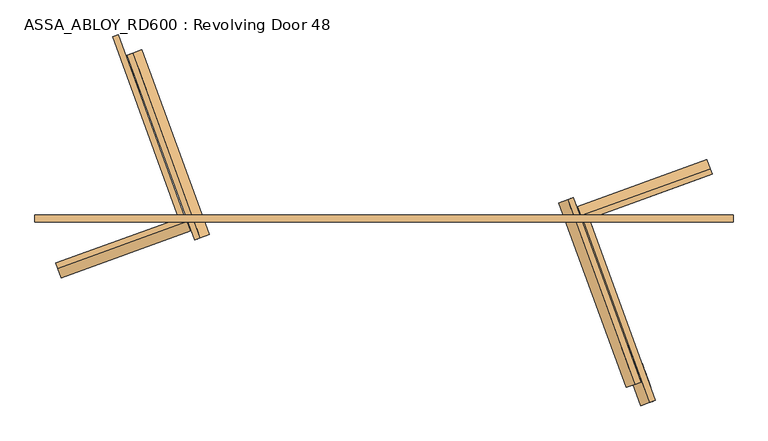
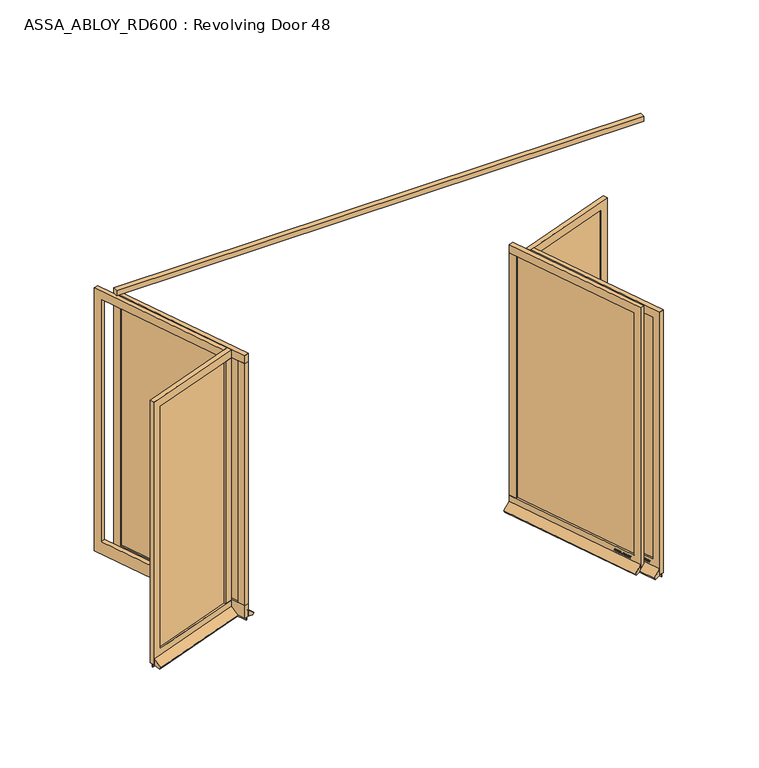
"""IFC4 building model written with IfcOpenShell, lengths in millimetres: door geometry, ASSA_ABLOY_RD600 : Revolving Door 48."""

from ifc_helpers import new_model, si_unit, frame, origin, place, context, project, spatial, polyline, outline, extrude, source, transform, mapped, element, save


def assa_abloy_rd600_revolving_door_48_a75d8d7e(model_context):
    return source(origin(), model_context, "Body", "SweptSolid", [
        extrude(outline(polyline([(2441.0, -25.0), (-2441.0, -25.0), (-2441.0, 25.0), (2441.0, 25.0), (2441.0, -25.0)])), frame((0.0, 0.0, 3500.0), z_axis=(0.0, 0.0, 1.0), x_axis=(1.0, 0.0, 0.0)), (0.0, 0.0, 1.0), 50.0),
        extrude(outline(polyline([(0.0, 0.0), (1306.0000001, 0.0), (1306.0000001, -120.0), (-69.9999999, -120.0), (-69.9999999, 2452.0), (1306.0000001, 2452.0), (1306.0000001, 2372.0), (0.0, 2372.0), (0.0, 0.0)])), frame((1733.4073499, -1092.4905475, 148.0), z_axis=(0.9396926207858558, 0.34202014332581326, 0.0), x_axis=(-0.34202014332581326, 0.9396926207858558, 0.0)), (0.0, 0.0, 1.0), 40.0),
        extrude(outline(polyline([(1348.2581576, 82.6503375), (1310.6704527, 68.9695318), (1286.7290427, 134.7480153), (1324.3167475, 148.428821), (1348.2581576, 82.6503375)])), frame((0.0, 0.0, 148.0), z_axis=(0.0, 0.0, 1.0), x_axis=(1.0, 0.0, 0.0)), (0.0, 0.0, 1.0), 2372.0),
        extrude(outline(polyline([(1749.3821244, -1086.676205), (1326.6452273, 74.7838742), (1332.283383, 76.8359951), (1755.0202802, -1084.6240842), (1749.3821244, -1086.676205)])), frame((0.0, 0.0, 148.0), z_axis=(0.0, 0.0, 1.0), x_axis=(1.0, 0.0, 0.0)), (0.0, 0.0, 1.0), 2372.0),
        extrude(outline(polyline([(1773.3235345, -1152.4546885), (1302.7038173, 140.5623577), (1308.341973, 142.6144786), (1778.9616902, -1150.4025676), (1773.3235345, -1152.4546885)])), frame((0.0, 0.0, -1.0), z_axis=(0.0, 0.0, 1.0), x_axis=(1.0, 0.0, 0.0)), (0.0, 0.0, 1.0), 29.0),
        extrude(outline(polyline([(21.1919362, 0.0), (20.214336, -2.6529929), (14.2348715, -2.5853724), (11.2716326, -10.6269535), (15.8652682, -14.4554101), (14.8894584, -17.1035441), (-1.2354289, -3.3526834), (0.0, 0.0), (21.1919362, 0.0)]), holes=[polyline([(11.7626281, -2.5849674), (1.6611384, -2.5160753), (9.3848751, -9.0376682), (11.7626281, -2.5849674)])]), frame((1756.8929342, -1040.0644841, 122.8848654), z_axis=(0.9396926207858602, 0.34202014332580105, 0.0), x_axis=(-0.11825756092416981, 0.3249099783187935, -0.9383222555567716)), (0.0, 0.0, 1.0), 2.0),
        extrude(outline(polyline([(3.5121291, 0.0), (5.4926863, -1.2764388), (6.787432, -3.3659463), (7.2092232, -6.1919012), (6.5093631, -9.6341389), (4.8247981, -13.2083906), (2.5145629, -16.157079), (-0.6567352, -15.0446471), (2.4447822, -12.1320668), (4.3562345, -8.7636201), (4.8029446, -4.7524081), (2.9863484, -2.6252693), (0.9295188, -2.6144293), (-0.6628891, -4.2207409), (-1.8238571, -6.2006452), (-3.0893834, -8.4786223), (-6.2388815, -11.6844271), (-9.9996043, -11.7673438), (-13.1300796, -8.3561655), (-12.7977466, -2.5981571), (-11.0920113, 1.0208017), (-9.0699595, 3.711135), (-6.0403681, 2.6484111), (-8.71119, 0.0484616), (-10.6514742, -3.4882218), (-11.0208469, -7.16163), (-9.3614355, -9.1814982), (-7.3063201, -9.1972245), (-5.5118808, -7.3434952), (-4.250422, -5.1162245), (-2.8187321, -2.6852579), (0.0, 0.0), (3.5121291, 0.0)])), frame((1748.7768678, -1017.765775, 111.999973), z_axis=(0.9396926207858602, 0.34202014332580105, 0.0), x_axis=(-0.11321109633798945, 0.31104493082019163, -0.9436282629706535)), (0.0, 0.0, 1.0), 2.0),
        extrude(outline(polyline([(3.5121291, 0.0), (5.4926863, -1.2764388), (6.787432, -3.3659464), (7.2092232, -6.1919012), (6.5093631, -9.6341389), (4.824798, -13.2083907), (2.5145628, -16.1570791), (-0.6567353, -15.0446472), (2.4447822, -12.1320668), (4.3562345, -8.7636201), (4.8029446, -4.7524081), (2.9863484, -2.6252693), (0.9295188, -2.6144294), (-0.6628891, -4.2207409), (-1.8238571, -6.2006453), (-3.0893834, -8.4786224), (-6.2388815, -11.6844271), (-9.9996044, -11.7673439), (-13.1300797, -8.3561656), (-12.7977466, -2.5981572), (-11.0920114, 1.0208016), (-9.0699596, 3.7111349), (-6.0403681, 2.648411), (-8.71119, 0.0484616), (-10.6514742, -3.4882218), (-11.0208469, -7.16163), (-9.3614355, -9.1814982), (-7.3063201, -9.1972245), (-5.5118808, -7.3434953), (-4.250422, -5.1162245), (-2.8187321, -2.6852579), (0.0, 0.0), (3.5121291, 0.0)])), frame((1742.3158945, -1000.0143967, 111.999973), z_axis=(0.9396926207858602, 0.34202014332580105, 0.0), x_axis=(-0.11321109633798945, 0.31104493082019163, -0.9436282629706535)), (0.0, 0.0, 1.0), 2.0),
        extrude(outline(polyline([(21.1919362, 0.0), (20.214336, -2.6529929), (14.2348715, -2.5853723), (11.2716326, -10.6269535), (15.8652682, -14.4554101), (14.8894584, -17.1035442), (-1.2354289, -3.3526834), (0.0, 0.0), (21.1919362, 0.0)]), holes=[polyline([(11.7626281, -2.5849675), (1.6611384, -2.5160753), (9.3848751, -9.0376682), (11.7626281, -2.5849675)])]), frame((1737.5100143, -986.8103493, 122.8848654), z_axis=(0.9396926207858602, 0.34202014332580105, 0.0), x_axis=(-0.11825756092416981, 0.3249099783187935, -0.9383222555567716)), (0.0, 0.0, 1.0), 2.0),
        extrude(outline(polyline([(21.1919362, 1e-07), (20.214336, -2.6529929), (14.2348715, -2.5853724), (11.2716326, -10.6269535), (15.8652682, -14.4554102), (14.8894584, -17.1035441), (-1.2354289, -3.3526834), (0.0, 0.0), (21.1919362, 1e-07)]), holes=[polyline([(11.7626281, -2.5849674), (1.6611384, -2.5160753), (9.3848751, -9.0376682), (11.7626281, -2.5849674)])]), frame((1727.7618791, -960.0275681, 122.8848654), z_axis=(0.9396926207858602, 0.34202014332580105, 0.0), x_axis=(-0.11825756092416981, 0.3249099783187935, -0.9383222555567716)), (0.0, 0.0, 1.0), 2.0),
        extrude(outline(polyline([(3.6247797, 0.0), (5.9232413, -1.3859292), (7.2049821, -3.4426962), (7.5842828, -6.2202287), (6.8194358, -9.6251298), (4.5055294, -16.4081518), (-14.3144162, -9.9880647), (-12.3716711, -4.2930708), (-11.1479956, -1.1951534), (-9.8352433, 0.5920774), (-7.9241126, 1.6554025), (-5.7320771, 1.441087), (-3.7068838, -0.0321766), (-2.8147562, -2.4211002), (0.0, 0.0), (3.6247797, 0.0)]), holes=[polyline([(-5.2214252, -2.9241786), (-9.3653605, -2.9303687), (-10.1960736, -5.1008933), (-11.2627443, -8.2277488), (-5.9304264, -10.0467735), (-4.7734732, -6.6552624), (-5.2214252, -2.9241786)]), polyline([(2.8765907, -2.5461079), (0.9746905, -2.291247), (-0.5832315, -3.1932876), (-1.5099769, -4.5787396), (-2.347091, -6.7279308), (-3.734766, -10.7957836), (3.1658807, -13.1498156), (4.3362091, -9.7190964), (5.1175974, -6.8751817), (5.1102534, -4.8838351), (4.3679308, -3.4351117), (2.8765907, -2.5461079)])]), frame((1719.4217686, -937.1133027, 112.561824), z_axis=(0.9396926207858604, 0.3420201433258011, 0.0), x_axis=(-0.11042564634822187, 0.30339196987028844, -0.9464457138403678)), (0.0, 0.0, 1.0), 2.0),
        extrude(outline(polyline([(2.319901, 0.0), (2.319901, -12.5937482), (-17.5649644, -12.5937482), (-17.5649644, -9.9424328), (0.0, -9.9424328), (0.0, 0.0), (2.319901, 0.0)])), frame((1713.4673299, -920.7536169, 105.319901), z_axis=(0.9396926207858602, 0.34202014332580105, 0.0), x_axis=(0.0, 0.0, -1.0)), (0.0, 0.0, 1.0), 2.0),
        extrude(outline(polyline([(3.4755123, 0.0), (6.8343334, -1.6217536), (9.841779, -4.8358203), (11.7934802, -8.7947163), (12.1283676, -12.475947), (10.9175762, -15.7640054), (8.2007386, -18.4707048), (4.7147757, -20.0502835), (1.2097864, -20.048671), (-2.1257686, -18.4422905), (-5.1361656, -15.2239687), (-7.0812776, -11.3109182), (-7.4345587, -7.5668217), (-6.1998493, -4.2905332), (-3.5095377, -1.5864764), (0.0, 0.0), (3.4755123, 0.0)]), holes=[polyline([(7.6631689, -6.3468237), (2.8864763, -2.494471), (-2.1788995, -3.4868579), (-4.8960978, -7.8921765), (-2.9575554, -13.7129652), (1.8513938, -17.5618518), (6.8871209, -16.5585187), (9.5892894, -12.1951337), (7.6631689, -6.3468237)])]), frame((1708.489653, -907.0775619, 122.5197917), z_axis=(0.9396926207858602, 0.34202014332580105, 0.0), x_axis=(-0.2810410816456148, 0.7721540257600913, -0.569907072188043)), (0.0, 0.0, 1.0), 2.0),
        extrude(outline(polyline([(3.1691505, 0.0), (-4.1219669, -11.1645234), (-4.1219669, -19.8848654), (-6.7732823, -19.8848654), (-6.7732823, -11.4441543), (-14.0643996, 0.0), (-10.9211409, 0.0), (-5.4320895, -8.8964059), (0.0, 0.0), (3.1691505, 0.0)])), frame((1701.2892454, -887.2946046, 122.8848654), z_axis=(0.9396926207858602, 0.34202014332580105, 0.0), x_axis=(-0.34202014332580105, 0.9396926207858602, 0.0)), (0.0, 0.0, 1.0), 2.0),
        extrude(outline(polyline([(-21.1919362, 1e-07), (0.0, 0.0), (1.2354289, -3.3526833), (-14.8894584, -17.1035441), (-15.8652682, -14.4554101), (-11.2716326, -10.6269535), (-14.2348715, -2.5853723), (-20.214336, -2.6529929), (-21.1919362, 1e-07)]), holes=[polyline([(-11.7626281, -2.5849674), (-9.3848751, -9.0376681), (-1.6611384, -2.5160752), (-11.7626281, -2.5849674)])]), frame((1664.6931086, -909.54733, 122.8848654), z_axis=(0.939692620785858, 0.3420201433258071, 0.0), x_axis=(-0.11825756092417189, 0.3249099783187927, 0.9383222555567716)), (0.0, 0.0, 1.0), 2.0),
        extrude(outline(polyline([(-3.5121291, 0.0), (0.0, 0.0), (2.8187321, -2.6852579), (4.250422, -5.1162245), (5.5118808, -7.3434953), (7.3063201, -9.1972246), (9.3614355, -9.1814983), (11.0208469, -7.1616301), (10.6514742, -3.4882218), (8.71119, 0.0484616), (6.0403681, 2.648411), (9.0699596, 3.7111349), (11.0920114, 1.0208016), (12.7977466, -2.5981572), (13.1300797, -8.3561656), (9.9996044, -11.7673439), (6.2388816, -11.6844272), (3.0893834, -8.4786224), (1.8238571, -6.2006453), (0.6628891, -4.2207409), (-0.9295188, -2.6144294), (-2.9863484, -2.6252693), (-4.8029446, -4.7524082), (-4.3562345, -8.76362), (-2.4447822, -12.1320669), (0.6567353, -15.0446472), (-2.5145629, -16.1570791), (-4.824798, -13.2083906), (-6.5093631, -9.6341389), (-7.2092232, -6.1919012), (-6.787432, -3.3659464), (-5.4926863, -1.2764387), (-3.5121291, 0.0)])), frame((1672.809175, -931.8460392, 111.999973), z_axis=(0.939692620785858, 0.3420201433258071, 0.0), x_axis=(-0.11321109633799145, 0.31104493082019086, 0.9436282629706535)), (0.0, 0.0, 1.0), 2.0),
        extrude(outline(polyline([(-3.5121291, 0.0), (0.0, 0.0), (2.8187321, -2.6852579), (4.250422, -5.1162245), (5.5118808, -7.3434952), (7.3063201, -9.1972245), (9.3614355, -9.1814982), (11.0208469, -7.16163), (10.6514742, -3.4882218), (8.71119, 0.0484616), (6.0403681, 2.6484111), (9.0699595, 3.711135), (11.0920113, 1.0208017), (12.7977466, -2.5981571), (13.1300796, -8.3561655), (9.9996043, -11.7673438), (6.2388815, -11.6844271), (3.0893834, -8.4786223), (1.8238571, -6.2006452), (0.6628891, -4.2207408), (-0.9295188, -2.6144293), (-2.9863484, -2.6252693), (-4.8029446, -4.7524081), (-4.3562345, -8.76362), (-2.4447823, -12.1320668), (0.6567352, -15.0446471), (-2.5145629, -16.157079), (-4.8247981, -13.2083905), (-6.5093631, -9.6341389), (-7.2092232, -6.1919012), (-6.787432, -3.3659463), (-5.4926863, -1.2764387), (-3.5121291, 0.0)])), frame((1679.2701483, -949.5974174, 111.999973), z_axis=(0.939692620785858, 0.3420201433258071, 0.0), x_axis=(-0.11321109633799145, 0.31104493082019086, 0.9436282629706535)), (0.0, 0.0, 1.0), 2.0),
        extrude(outline(polyline([(-21.1919362, 1e-07), (0.0, 0.0), (1.2354289, -3.3526834), (-14.8894584, -17.1035441), (-15.8652682, -14.4554101), (-11.2716326, -10.6269535), (-14.2348715, -2.5853723), (-20.214336, -2.6529929), (-21.1919362, 1e-07)]), holes=[polyline([(-11.7626281, -2.5849674), (-9.3848751, -9.0376682), (-1.6611384, -2.5160752), (-11.7626281, -2.5849674)])]), frame((1684.0760285, -962.8014648, 122.8848654), z_axis=(0.939692620785858, 0.3420201433258071, 0.0), x_axis=(-0.11825756092417189, 0.3249099783187927, 0.9383222555567716)), (0.0, 0.0, 1.0), 2.0),
        extrude(outline(polyline([(-21.1919362, 0.0), (0.0, 0.0), (1.2354289, -3.3526834), (-14.8894584, -17.1035442), (-15.8652681, -14.4554102), (-11.2716326, -10.6269536), (-14.2348715, -2.5853724), (-20.2143359, -2.652993), (-21.1919362, 0.0)]), holes=[polyline([(-11.7626281, -2.5849675), (-9.3848751, -9.0376682), (-1.6611384, -2.5160752), (-11.7626281, -2.5849675)])]), frame((1693.8241637, -989.5842461, 122.8848654), z_axis=(0.939692620785858, 0.3420201433258071, 0.0), x_axis=(-0.11825756092417189, 0.3249099783187927, 0.9383222555567716)), (0.0, 0.0, 1.0), 2.0),
        extrude(outline(polyline([(-3.6247797, -1e-07), (0.0, 0.0), (2.8147562, -2.4211003), (3.7068839, -0.0321767), (5.7320772, 1.4410869), (7.9241126, 1.6554024), (9.8352433, 0.5920774), (11.1479956, -1.1951535), (12.3716711, -4.2930708), (14.3144162, -9.9880648), (-4.5055294, -16.4081519), (-6.8194358, -9.6251298), (-7.5842828, -6.2202288), (-7.204982, -3.4426963), (-5.9232413, -1.3859292), (-3.6247797, -1e-07)]), holes=[polyline([(5.2214253, -2.9241787), (4.7734732, -6.6552625), (5.9304264, -10.0467736), (11.2627444, -8.2277489), (10.1960736, -5.1008933), (9.3653605, -2.9303688), (5.2214253, -2.9241787)]), polyline([(-2.8765906, -2.5461079), (-4.3679308, -3.4351117), (-5.1102534, -4.8838351), (-5.1175974, -6.8751818), (-4.3362091, -9.7190964), (-3.1658807, -13.1498157), (3.7347661, -10.7957838), (2.347091, -6.7279308), (1.5099769, -4.5787397), (0.5832316, -3.1932877), (-0.9746905, -2.2912471), (-2.8765906, -2.5461079)])]), frame((1702.1642743, -1012.4985115, 112.561824), z_axis=(0.939692620785858, 0.34202014332580716, 0.0), x_axis=(-0.11042564634822383, 0.3033919698702877, 0.9464457138403678)), (0.0, 0.0, 1.0), 2.0),
        extrude(outline(polyline([(-2.319901, 0.0), (0.0, 0.0), (0.0, -9.9424326), (17.5649644, -9.9424326), (17.5649644, -12.593748), (-2.319901, -12.593748), (-2.319901, 0.0)])), frame((1708.1187129, -1028.8581972, 105.319901), z_axis=(0.939692620785858, 0.3420201433258071, 0.0), x_axis=(0.0, 0.0, 1.0)), (0.0, 0.0, 1.0), 2.0),
        extrude(outline(polyline([(-3.4755123, 0.0), (0.0, 0.0), (3.5095376, -1.5864763), (6.1998493, -4.2905332), (7.4345588, -7.5668217), (7.0812776, -11.3109182), (5.1361655, -15.2239686), (2.1257686, -18.4422905), (-1.2097864, -20.048671), (-4.7147758, -20.0502835), (-8.2007387, -18.4707048), (-10.9175762, -15.7640054), (-12.1283676, -12.475947), (-11.7934802, -8.7947164), (-9.8417791, -4.8358203), (-6.8343334, -1.6217536), (-3.4755123, 0.0)]), holes=[polyline([(-7.663169, -6.3468237), (-9.5892894, -12.1951337), (-6.8871209, -16.5585186), (-1.8513939, -17.5618518), (2.9575554, -13.7129653), (4.8960977, -7.8921765), (2.1788995, -3.4868579), (-2.8864763, -2.494471), (-7.663169, -6.3468237)])]), frame((1713.0963899, -1042.5342522, 122.5197917), z_axis=(0.939692620785858, 0.3420201433258071, 0.0), x_axis=(-0.28104108164561903, 0.7721540257600874, 0.5699070721880464)), (0.0, 0.0, 1.0), 2.0),
        extrude(outline(polyline([(-3.1691504, 0.0), (0.0, 0.0), (5.4320896, -8.8964059), (10.921141, 0.0), (14.0643997, 0.0), (6.7732823, -11.4441543), (6.7732823, -19.8848654), (4.1219669, -19.8848654), (4.1219669, -11.1645234), (-3.1691504, 0.0)])), frame((1720.2967975, -1062.3172096, 122.8848654), z_axis=(0.939692620785858, 0.3420201433258071, 0.0), x_axis=(-0.3420201433258071, 0.939692620785858, 0.0)), (0.0, 0.0, 1.0), 2.0),
        extrude(outline(polyline([(16.3017206, 0.0), (20.0, 0.0), (20.0, 58.7981528), (88.5222617, 2.8076911), (78.5957563, -16.6009104), (16.3017206, 0.0)])), frame((1776.1426123, -1151.4286281, 28.0), z_axis=(-0.34202014332581326, 0.9396926207858558, 0.0), x_axis=(-0.9396926207858558, -0.34202014332581326, 0.0)), (0.0, 0.0, 1.0), 1376.0),
        extrude(outline(polyline([(1306.0000001, 0.0), (1306.0000001, -120.0), (0.0, -120.0), (0.0, -2492.0), (1306.0000001, -2492.0), (1306.0000001, -2572.0), (-69.9999999, -2572.0), (-69.9999999, 0.0), (1306.0000001, 0.0)])), frame((-1770.9950547, 1078.8097418, 28.0), z_axis=(0.939692620786613, 0.3420201433237329, 0.0), x_axis=(0.3420201433237329, -0.939692620786613, 0.0)), (0.0, 0.0, 1.0), 40.0),
        extrude(outline(polyline([(-1348.2581576, -82.6503375), (-1310.6704527, -68.9695318), (-1286.7290427, -134.7480153), (-1324.3167475, -148.428821), (-1348.2581576, -82.6503375)])), frame((0.0, 0.0, 148.0), z_axis=(0.0, 0.0, 1.0), x_axis=(1.0, 0.0, 0.0)), (0.0, 0.0, 1.0), 2372.0),
        extrude(outline(polyline([(-1749.3821244, 1086.676205), (-1326.6452273, -74.7838742), (-1332.283383, -76.8359951), (-1755.0202802, 1084.6240842), (-1749.3821244, 1086.676205)])), frame((0.0, 0.0, 148.0), z_axis=(0.0, 0.0, 1.0), x_axis=(1.0, 0.0, 0.0)), (0.0, 0.0, 1.0), 2372.0),
        extrude(outline(polyline([(-1773.3235345, 1152.4546885), (-1302.7038173, -140.5623577), (-1308.341973, -142.6144786), (-1778.9616902, 1150.4025676), (-1773.3235345, 1152.4546885)])), frame((0.0, 0.0, -1.0), z_axis=(0.0, 0.0, 1.0), x_axis=(1.0, 0.0, 0.0)), (0.0, 0.0, 1.0), 29.0),
        extrude(outline(polyline([(-21.1919362, 0.0), (0.0, 0.0), (1.2354289, -3.3526834), (-14.8894584, -17.1035442), (-15.8652682, -14.4554101), (-11.2716326, -10.6269535), (-14.2348715, -2.5853723), (-20.214336, -2.6529929), (-21.1919362, 0.0)]), holes=[polyline([(-11.7626281, -2.5849675), (-9.3848751, -9.0376682), (-1.6611384, -2.5160752), (-11.7626281, -2.5849675)])]), frame((-1758.7723195, 1039.3804438, 122.8848654), z_axis=(0.9396926207866175, 0.34202014332372066, 0.0), x_axis=(-0.11825756092345048, 0.3249099783190553, 0.9383222555567716)), (0.0, 0.0, 1.0), 2.0),
        extrude(outline(polyline([(-3.5121291, 0.0), (0.0, 0.0), (2.8187321, -2.6852579), (4.250422, -5.1162244), (5.5118808, -7.3434952), (7.3063201, -9.1972245), (9.3614355, -9.1814982), (11.0208469, -7.16163), (10.6514742, -3.4882218), (8.71119, 0.0484616), (6.0403681, 2.6484111), (9.0699595, 3.711135), (11.0920113, 1.0208017), (12.7977466, -2.5981571), (13.1300796, -8.3561655), (9.9996043, -11.7673438), (6.2388815, -11.6844271), (3.0893834, -8.4786223), (1.8238571, -6.2006452), (0.6628891, -4.2207408), (-0.9295188, -2.6144293), (-2.9863484, -2.6252693), (-4.8029446, -4.7524081), (-4.3562345, -8.76362), (-2.4447823, -12.1320668), (0.6567352, -15.0446471), (-2.5145629, -16.157079), (-4.824798, -13.2083906), (-6.5093631, -9.6341389), (-7.2092232, -6.1919012), (-6.787432, -3.3659463), (-5.4926863, -1.2764387), (-3.5121291, 0.0)])), frame((-1750.6562531, 1017.0817347, 111.999973), z_axis=(0.9396926207866174, 0.34202014332372066, 0.0), x_axis=(-0.11321109633730082, 0.31104493082044227, 0.9436282629706535)), (0.0, 0.0, 1.0), 2.0),
        extrude(outline(polyline([(-3.5121291, 0.0), (0.0, 0.0), (2.8187321, -2.6852579), (4.250422, -5.1162244), (5.5118808, -7.3434953), (7.3063201, -9.1972246), (9.3614355, -9.1814983), (11.0208469, -7.1616301), (10.6514742, -3.4882218), (8.71119, 0.0484616), (6.0403681, 2.648411), (9.0699596, 3.7111349), (11.0920114, 1.0208016), (12.7977466, -2.5981572), (13.1300797, -8.3561656), (9.9996044, -11.7673439), (6.2388815, -11.6844271), (3.0893834, -8.4786224), (1.8238571, -6.2006453), (0.6628891, -4.2207408), (-0.9295188, -2.6144294), (-2.9863484, -2.6252693), (-4.8029446, -4.7524082), (-4.3562345, -8.76362), (-2.4447822, -12.1320669), (0.6567353, -15.0446472), (-2.5145629, -16.1570791), (-4.824798, -13.2083906), (-6.5093631, -9.6341389), (-7.2092232, -6.1919012), (-6.787432, -3.3659463), (-5.4926863, -1.2764387), (-3.5121291, 0.0)])), frame((-1744.1952798, 999.3303564, 111.999973), z_axis=(0.9396926207866174, 0.34202014332372066, 0.0), x_axis=(-0.11321109633730082, 0.31104493082044227, 0.9436282629706535)), (0.0, 0.0, 1.0), 2.0),
        extrude(outline(polyline([(-21.1919362, 0.0), (0.0, 0.0), (1.2354289, -3.3526834), (-14.8894584, -17.1035442), (-15.8652681, -14.4554103), (-11.2716326, -10.6269535), (-14.2348715, -2.5853725), (-20.2143359, -2.652993), (-21.1919362, 0.0)]), holes=[polyline([(-11.7626281, -2.5849675), (-9.3848751, -9.0376682), (-1.6611384, -2.5160753), (-11.7626281, -2.5849675)])]), frame((-1739.3893995, 986.126309, 122.8848654), z_axis=(0.9396926207866175, 0.34202014332372066, 0.0), x_axis=(-0.11825756092345048, 0.3249099783190553, 0.9383222555567716)), (0.0, 0.0, 1.0), 2.0),
        extrude(outline(polyline([(-21.1919362, 1e-07), (0.0, 0.0), (1.2354289, -3.3526834), (-14.8894584, -17.1035441), (-15.8652682, -14.4554101), (-11.2716326, -10.6269535), (-14.2348715, -2.5853723), (-20.214336, -2.6529929), (-21.1919362, 1e-07)]), holes=[polyline([(-11.7626281, -2.5849674), (-9.3848751, -9.0376682), (-1.6611384, -2.5160752), (-11.7626281, -2.5849674)])]), frame((-1729.6412644, 959.3435278, 122.8848654), z_axis=(0.9396926207866175, 0.34202014332372066, 0.0), x_axis=(-0.11825756092345048, 0.3249099783190553, 0.9383222555567716)), (0.0, 0.0, 1.0), 2.0),
        extrude(outline(polyline([(-3.6247797, -1e-07), (0.0, 0.0), (2.8147562, -2.4211002), (3.7068839, -0.0321766), (5.7320771, 1.441087), (7.9241126, 1.6554025), (9.8352433, 0.5920774), (11.1479956, -1.1951534), (12.3716711, -4.2930708), (14.3144162, -9.9880647), (-4.5055294, -16.4081518), (-6.8194358, -9.6251298), (-7.5842828, -6.2202288), (-7.204982, -3.4426963), (-5.9232413, -1.3859292), (-3.6247797, -1e-07)]), holes=[polyline([(5.2214253, -2.9241787), (4.7734732, -6.6552625), (5.9304264, -10.0467735), (11.2627443, -8.2277488), (10.1960736, -5.1008933), (9.3653605, -2.9303687), (5.2214253, -2.9241787)]), polyline([(-2.8765906, -2.5461079), (-4.3679308, -3.4351117), (-5.1102534, -4.8838351), (-5.1175974, -6.8751817), (-4.3362091, -9.7190964), (-3.1658807, -13.1498156), (3.734766, -10.7957836), (2.347091, -6.7279308), (1.5099769, -4.5787397), (0.5832315, -3.1932876), (-0.9746905, -2.291247), (-2.8765906, -2.5461079)])]), frame((-1721.3011538, 936.4292624, 112.561824), z_axis=(0.9396926207866174, 0.34202014332372066, 0.0), x_axis=(-0.11042564634755019, 0.3033919698705329, 0.9464457138403678)), (0.0, 0.0, 1.0), 2.0),
        extrude(outline(polyline([(-2.319901, 0.0), (0.0, 0.0), (0.0, -9.9424327), (17.5649644, -9.9424327), (17.5649644, -12.5937481), (-2.319901, -12.5937481), (-2.319901, 0.0)])), frame((-1715.3467152, 920.0695766, 105.319901), z_axis=(0.9396926207866174, 0.34202014332372066, 0.0), x_axis=(0.0, 0.0, 1.0)), (0.0, 0.0, 1.0), 2.0),
        extrude(outline(polyline([(-3.4755123, 0.0), (0.0, 0.0), (3.5095377, -1.5864764), (6.1998493, -4.2905332), (7.4345588, -7.5668217), (7.0812776, -11.3109182), (5.1361656, -15.2239687), (2.1257687, -18.4422906), (-1.2097864, -20.048671), (-4.7147757, -20.0502836), (-8.2007386, -18.4707048), (-10.9175762, -15.7640054), (-12.1283676, -12.475947), (-11.7934802, -8.7947164), (-9.841779, -4.8358203), (-6.8343334, -1.6217536), (-3.4755123, 0.0)]), holes=[polyline([(-7.6631689, -6.3468237), (-9.5892893, -12.1951337), (-6.8871209, -16.5585187), (-1.8513938, -17.5618518), (2.9575555, -13.7129653), (4.8960978, -7.8921765), (2.1788995, -3.4868579), (-2.8864763, -2.494471), (-7.6631689, -6.3468237)])]), frame((-1710.3690382, 906.3935216, 122.5197917), z_axis=(0.9396926207866175, 0.3420201433237207, 0.0), x_axis=(-0.28104108164390534, 0.7721540257607135, 0.569907072188043)), (0.0, 0.0, 1.0), 2.0),
        extrude(outline(polyline([(-3.1691505, 0.0), (0.0, 0.0), (5.4320896, -8.8964059), (10.921141, 0.0), (14.0643996, 0.0), (6.7732823, -11.4441543), (6.7732823, -19.8848654), (4.1219669, -19.8848654), (4.1219669, -11.1645234), (-3.1691505, 0.0)])), frame((-1703.1686306, 886.6105643, 122.8848654), z_axis=(0.9396926207866174, 0.34202014332372066, 0.0), x_axis=(-0.34202014332372066, 0.9396926207866174, 0.0)), (0.0, 0.0, 1.0), 2.0),
        extrude(outline(polyline([(21.1919362, 1e-07), (20.214336, -2.6529929), (14.2348715, -2.5853724), (11.2716326, -10.6269535), (15.8652682, -14.4554101), (14.8894584, -17.1035441), (-1.2354289, -3.3526833), (0.0, 0.0), (21.1919362, 1e-07)]), holes=[polyline([(11.7626281, -2.5849674), (1.6611384, -2.5160752), (9.3848751, -9.0376681), (11.7626281, -2.5849674)])]), frame((-1666.5724939, 908.8632897, 122.8848654), z_axis=(0.9396926207866153, 0.34202014332372677, 0.0), x_axis=(-0.11825756092345256, 0.32490997831905455, -0.9383222555567716)), (0.0, 0.0, 1.0), 2.0),
        extrude(outline(polyline([(3.5121291, -1e-07), (5.4926863, -1.2764388), (6.787432, -3.3659464), (7.2092232, -6.1919012), (6.5093631, -9.6341389), (4.824798, -13.2083907), (2.5145628, -16.1570791), (-0.6567353, -15.0446472), (2.4447822, -12.1320668), (4.3562345, -8.7636201), (4.8029446, -4.7524081), (2.9863484, -2.6252693), (0.9295188, -2.6144294), (-0.6628891, -4.2207409), (-1.8238571, -6.2006453), (-3.0893834, -8.4786224), (-6.2388815, -11.6844271), (-9.9996044, -11.7673439), (-13.1300797, -8.3561656), (-12.7977466, -2.5981572), (-11.0920114, 1.0208016), (-9.0699596, 3.7111349), (-6.0403681, 2.648411), (-8.71119, 0.0484616), (-10.6514742, -3.4882218), (-11.0208469, -7.1616301), (-9.3614355, -9.1814983), (-7.3063201, -9.1972245), (-5.5118808, -7.3434953), (-4.250422, -5.1162245), (-2.8187321, -2.6852579), (0.0, 0.0), (3.5121291, -1e-07)])), frame((-1674.6885603, 931.1619989, 111.999973), z_axis=(0.9396926207866153, 0.34202014332372677, 0.0), x_axis=(-0.11321109633730282, 0.3110449308204415, -0.9436282629706535)), (0.0, 0.0, 1.0), 2.0),
        extrude(outline(polyline([(3.5121291, 0.0), (5.4926863, -1.2764387), (6.787432, -3.3659463), (7.2092232, -6.1919011), (6.5093631, -9.6341389), (4.8247981, -13.2083906), (2.5145629, -16.157079), (-0.6567352, -15.0446471), (2.4447822, -12.1320668), (4.3562345, -8.7636201), (4.8029446, -4.7524081), (2.9863484, -2.6252692), (0.9295188, -2.6144293), (-0.6628891, -4.2207408), (-1.8238571, -6.2006452), (-3.0893834, -8.4786223), (-6.2388815, -11.6844271), (-9.9996043, -11.7673438), (-13.1300796, -8.3561655), (-12.7977466, -2.5981571), (-11.0920113, 1.0208017), (-9.0699595, 3.711135), (-6.0403681, 2.6484111), (-8.71119, 0.0484616), (-10.6514742, -3.4882217), (-11.0208469, -7.16163), (-9.3614355, -9.1814982), (-7.3063201, -9.1972245), (-5.5118808, -7.3434952), (-4.250422, -5.1162245), (-2.8187321, -2.6852579), (0.0, 0.0), (3.5121291, 0.0)])), frame((-1681.1495336, 948.9133771, 111.999973), z_axis=(0.9396926207866153, 0.34202014332372677, 0.0), x_axis=(-0.11321109633730282, 0.3110449308204415, -0.9436282629706535)), (0.0, 0.0, 1.0), 2.0),
        extrude(outline(polyline([(21.1919362, 1e-07), (20.214336, -2.6529929), (14.2348715, -2.5853724), (11.2716326, -10.6269535), (15.8652682, -14.4554101), (14.8894584, -17.1035441), (-1.2354289, -3.3526833), (0.0, 0.0), (21.1919362, 1e-07)]), holes=[polyline([(11.7626281, -2.5849674), (1.6611384, -2.5160753), (9.3848751, -9.0376681), (11.7626281, -2.5849674)])]), frame((-1685.9554138, 962.1174245, 122.8848654), z_axis=(0.9396926207866153, 0.34202014332372677, 0.0), x_axis=(-0.11825756092345256, 0.32490997831905455, -0.9383222555567716)), (0.0, 0.0, 1.0), 2.0),
        extrude(outline(polyline([(21.1919362, 0.0), (20.214336, -2.6529929), (14.2348715, -2.5853724), (11.2716326, -10.6269535), (15.8652682, -14.4554101), (14.8894584, -17.1035442), (-1.2354289, -3.3526834), (0.0, 0.0), (21.1919362, 0.0)]), holes=[polyline([(11.7626281, -2.5849675), (1.6611384, -2.5160752), (9.3848751, -9.0376682), (11.7626281, -2.5849675)])]), frame((-1695.7035489, 988.9002058, 122.8848654), z_axis=(0.9396926207866153, 0.34202014332372677, 0.0), x_axis=(-0.11825756092345256, 0.32490997831905455, -0.9383222555567716)), (0.0, 0.0, 1.0), 2.0),
        extrude(outline(polyline([(3.6247797, -1e-07), (5.9232413, -1.3859292), (7.2049821, -3.4426963), (7.5842828, -6.2202288), (6.8194358, -9.6251298), (4.5055294, -16.4081519), (-14.3144162, -9.9880648), (-12.3716711, -4.2930708), (-11.1479956, -1.1951535), (-9.8352433, 0.5920774), (-7.9241126, 1.6554024), (-5.7320771, 1.441087), (-3.7068839, -0.0321767), (-2.8147562, -2.4211002), (0.0, 0.0), (3.6247797, -1e-07)]), holes=[polyline([(-5.2214253, -2.9241787), (-9.3653605, -2.9303687), (-10.1960736, -5.1008933), (-11.2627443, -8.2277489), (-5.9304264, -10.0467736), (-4.7734732, -6.6552625), (-5.2214253, -2.9241787)]), polyline([(2.8765907, -2.5461079), (0.9746905, -2.2912471), (-0.5832316, -3.1932877), (-1.5099769, -4.5787397), (-2.347091, -6.7279308), (-3.7347661, -10.7957837), (3.1658807, -13.1498157), (4.3362091, -9.7190964), (5.1175974, -6.8751818), (5.1102534, -4.8838351), (4.3679308, -3.4351117), (2.8765907, -2.5461079)])]), frame((-1704.0436595, 1011.8144712, 112.561824), z_axis=(0.9396926207866152, 0.3420201433237267, 0.0), x_axis=(-0.11042564634755214, 0.3033919698705322, -0.9464457138403678)), (0.0, 0.0, 1.0), 2.0),
        extrude(outline(polyline([(2.319901, 0.0), (2.319901, -12.5937482), (-17.5649644, -12.5937482), (-17.5649644, -9.9424328), (0.0, -9.9424328), (0.0, 0.0), (2.319901, 0.0)])), frame((-1709.9980982, 1028.174157, 105.319901), z_axis=(0.9396926207866152, 0.3420201433237267, 0.0), x_axis=(0.0, 0.0, -1.0)), (0.0, 0.0, 1.0), 2.0),
        extrude(outline(polyline([(3.4755123, 0.0), (6.8343334, -1.6217536), (9.8417791, -4.8358203), (11.7934802, -8.7947163), (12.1283676, -12.475947), (10.9175762, -15.7640054), (8.2007387, -18.4707048), (4.7147758, -20.0502835), (1.2097864, -20.048671), (-2.1257686, -18.4422905), (-5.1361655, -15.2239686), (-7.0812776, -11.3109182), (-7.4345587, -7.5668216), (-6.1998493, -4.2905332), (-3.5095376, -1.5864763), (0.0, 0.0), (3.4755123, 0.0)]), holes=[polyline([(7.663169, -6.3468237), (2.8864763, -2.494471), (-2.1788995, -3.4868579), (-4.8960977, -7.8921765), (-2.9575554, -13.7129652), (1.8513939, -17.5618518), (6.8871209, -16.5585186), (9.5892894, -12.1951337), (7.663169, -6.3468237)])]), frame((-1714.9757751, 1041.8502119, 122.5197917), z_axis=(0.9396926207866152, 0.3420201433237267, 0.0), x_axis=(-0.2810410816439095, 0.7721540257607096, -0.5699070721880464)), (0.0, 0.0, 1.0), 2.0),
        extrude(outline(polyline([(3.1691504, 0.0), (-4.1219669, -11.1645234), (-4.1219669, -19.8848654), (-6.7732823, -19.8848654), (-6.7732823, -11.4441543), (-14.0643997, 0.0), (-10.921141, 0.0), (-5.4320896, -8.8964059), (0.0, 0.0), (3.1691504, 0.0)])), frame((-1722.1761827, 1061.6331693, 122.8848654), z_axis=(0.9396926207866152, 0.3420201433237267, 0.0), x_axis=(-0.3420201433237267, 0.9396926207866152, 0.0)), (0.0, 0.0, 1.0), 2.0),
        extrude(outline(polyline([(16.3017206, 0.0), (78.5957564, 16.6009104), (88.5222618, -2.8076911), (20.0, -58.7981528), (20.0, 0.0), (16.3017206, 0.0)])), frame((-1305.5228951, -141.5884181, 28.0), z_axis=(-0.3420201433237329, 0.939692620786613, 0.0), x_axis=(0.939692620786613, 0.3420201433237329, 0.0)), (0.0, 0.0, 1.0), 1376.0),
        extrude(outline(polyline([(0.0, 0.0), (1283.0, 0.0), (1283.0, -120.0), (-70.0, -120.0), (-70.0, 2452.0), (1283.0, 2452.0), (1283.0, 2372.0), (0.0, 2372.0), (0.0, 0.0)])), frame((1836.0306144, -1220.642068, 148.0), z_axis=(0.939692620785858, 0.3420201433258072, 0.0), x_axis=(-0.3420201433258072, 0.939692620785858, 0.0)), (0.0, 0.0, 1.0), 40.0),
        extrude(outline(polyline([(1458.7478854, -67.1141132), (1421.1601806, -80.794919), (1397.2187705, -15.0164355), (1434.8064754, -1.3356298), (1458.7478854, -67.1141132)])), frame((0.0, 0.0, 148.0), z_axis=(0.0, 0.0, 1.0), x_axis=(1.0, 0.0, 0.0)), (0.0, 0.0, 1.0), 2372.0),
        extrude(outline(polyline([(1852.005389, -1214.8277255), (1437.1349551, -74.9805765), (1442.7731109, -72.9284557), (1857.6435447, -1212.7756047), (1852.005389, -1214.8277255)])), frame((0.0, 0.0, 148.0), z_axis=(0.0, 0.0, 1.0), x_axis=(1.0, 0.0, 0.0)), (0.0, 0.0, 1.0), 2372.0),
        extrude(outline(polyline([(1875.946799, -1280.606209), (1413.1935451, -9.2020931), (1418.8317008, -7.1499722), (1881.5849547, -1278.5540881), (1875.946799, -1280.606209)])), frame((0.0, 0.0, -1.0), z_axis=(0.0, 0.0, 1.0), x_axis=(1.0, 0.0, 0.0)), (0.0, 0.0, 1.0), 29.0),
        extrude(outline(polyline([(21.1919362, 1e-07), (20.214336, -2.6529929), (14.2348715, -2.5853723), (11.2716326, -10.6269535), (15.8652682, -14.4554101), (14.8894584, -17.1035441), (-1.2354289, -3.3526834), (0.0, 0.0), (21.1919362, 1e-07)]), holes=[polyline([(11.7626281, -2.5849674), (1.6611384, -2.5160752), (9.3848751, -9.0376682), (11.7626281, -2.5849674)])]), frame((1859.5161988, -1168.2160046, 122.8848654), z_axis=(0.9396926207858626, 0.342020143325795, 0.0), x_axis=(-0.11825756092416771, 0.32490997831879426, -0.9383222555567716)), (0.0, 0.0, 1.0), 2.0),
        extrude(outline(polyline([(3.5121291, 0.0), (5.4926863, -1.2764386), (6.787432, -3.3659463), (7.2092232, -6.1919011), (6.5093631, -9.6341389), (4.8247981, -13.2083905), (2.5145629, -16.157079), (-0.6567352, -15.0446471), (2.4447823, -12.1320668), (4.3562345, -8.76362), (4.8029446, -4.7524081), (2.9863484, -2.6252692), (0.9295188, -2.6144293), (-0.6628891, -4.2207407), (-1.8238571, -6.2006452), (-3.0893834, -8.4786223), (-6.2388815, -11.6844271), (-9.9996043, -11.7673438), (-13.1300796, -8.3561655), (-12.7977466, -2.5981571), (-11.0920113, 1.0208017), (-9.0699595, 3.711135), (-6.0403681, 2.6484111), (-8.71119, 0.0484616), (-10.6514742, -3.4882218), (-11.0208469, -7.16163), (-9.3614355, -9.1814982), (-7.3063201, -9.1972245), (-5.5118808, -7.3434952), (-4.250422, -5.1162244), (-2.8187321, -2.6852579), (0.0, 0.0), (3.5121291, 0.0)])), frame((1851.4001324, -1145.9172955, 111.999973), z_axis=(0.9396926207858625, 0.342020143325795, 0.0), x_axis=(-0.11321109633798745, 0.31104493082019236, -0.9436282629706535)), (0.0, 0.0, 1.0), 2.0),
        extrude(outline(polyline([(3.5121291, 0.0), (5.4926863, -1.2764387), (6.787432, -3.3659464), (7.2092232, -6.1919012), (6.5093631, -9.6341389), (4.824798, -13.2083906), (2.5145629, -16.157079), (-0.6567352, -15.0446471), (2.4447823, -12.1320668), (4.3562345, -8.76362), (4.8029446, -4.7524081), (2.9863484, -2.6252693), (0.9295188, -2.6144293), (-0.6628891, -4.2207408), (-1.8238571, -6.2006453), (-3.0893834, -8.4786223), (-6.2388815, -11.6844271), (-9.9996043, -11.7673438), (-13.1300797, -8.3561656), (-12.7977466, -2.5981571), (-11.0920114, 1.0208016), (-9.0699595, 3.711135), (-6.0403681, 2.6484111), (-8.71119, 0.0484616), (-10.6514742, -3.4882218), (-11.0208469, -7.16163), (-9.3614355, -9.1814982), (-7.3063201, -9.1972245), (-5.5118808, -7.3434952), (-4.250422, -5.1162244), (-2.8187321, -2.6852579), (0.0, 0.0), (3.5121291, 0.0)])), frame((1844.9391591, -1128.1659172, 111.999973), z_axis=(0.9396926207858625, 0.342020143325795, 0.0), x_axis=(-0.11321109633798745, 0.31104493082019236, -0.9436282629706535)), (0.0, 0.0, 1.0), 2.0),
        extrude(outline(polyline([(21.1919362, 0.0), (20.214336, -2.6529929), (14.2348715, -2.5853723), (11.2716326, -10.6269535), (15.8652682, -14.4554101), (14.8894584, -17.1035441), (-1.2354289, -3.3526834), (0.0, 0.0), (21.1919362, 0.0)]), holes=[polyline([(11.7626281, -2.5849674), (1.6611384, -2.5160752), (9.3848751, -9.0376682), (11.7626281, -2.5849674)])]), frame((1840.1332789, -1114.9618698, 122.8848654), z_axis=(0.9396926207858626, 0.342020143325795, 0.0), x_axis=(-0.11825756092416771, 0.32490997831879426, -0.9383222555567716)), (0.0, 0.0, 1.0), 2.0),
        extrude(outline(polyline([(21.1919362, 1e-07), (20.214336, -2.6529929), (14.2348715, -2.5853723), (11.2716326, -10.6269535), (15.8652682, -14.4554101), (14.8894584, -17.1035441), (-1.2354289, -3.3526833), (0.0, 0.0), (21.1919362, 1e-07)]), holes=[polyline([(11.7626281, -2.5849674), (1.6611384, -2.5160752), (9.3848751, -9.0376681), (11.7626281, -2.5849674)])]), frame((1830.3851437, -1088.1790886, 122.8848654), z_axis=(0.9396926207858626, 0.342020143325795, 0.0), x_axis=(-0.11825756092416771, 0.32490997831879426, -0.9383222555567716)), (0.0, 0.0, 1.0), 2.0),
        extrude(outline(polyline([(3.6247797, 0.0), (5.9232413, -1.3859292), (7.2049821, -3.4426962), (7.5842828, -6.2202287), (6.8194358, -9.6251297), (4.5055294, -16.4081518), (-14.3144162, -9.9880647), (-12.3716711, -4.2930708), (-11.1479956, -1.1951534), (-9.8352433, 0.5920774), (-7.9241126, 1.6554025), (-5.7320771, 1.441087), (-3.7068839, -0.0321766), (-2.8147562, -2.4211002), (0.0, 0.0), (3.6247797, 0.0)]), holes=[polyline([(-5.2214253, -2.9241786), (-9.3653605, -2.9303687), (-10.1960736, -5.1008932), (-11.2627443, -8.2277488), (-5.9304264, -10.0467735), (-4.7734732, -6.6552624), (-5.2214253, -2.9241786)]), polyline([(2.8765907, -2.5461078), (0.9746905, -2.291247), (-0.5832315, -3.1932876), (-1.5099769, -4.5787396), (-2.347091, -6.7279308), (-3.734766, -10.7957836), (3.1658807, -13.1498156), (4.3362091, -9.7190964), (5.1175974, -6.8751817), (5.1102534, -4.883835), (4.3679308, -3.4351117), (2.8765907, -2.5461078)])]), frame((1822.0450331, -1065.2648232, 112.561824), z_axis=(0.9396926207858626, 0.34202014332579506, 0.0), x_axis=(-0.11042564634821991, 0.30339196987028916, -0.9464457138403678)), (0.0, 0.0, 1.0), 2.0),
        extrude(outline(polyline([(2.319901, 0.0), (2.319901, -12.5937481), (-17.5649644, -12.5937481), (-17.5649644, -9.9424326), (0.0, -9.9424326), (0.0, 0.0), (2.319901, 0.0)])), frame((1816.0905945, -1048.9051374, 105.319901), z_axis=(0.9396926207858625, 0.342020143325795, 0.0), x_axis=(0.0, 0.0, -1.0)), (0.0, 0.0, 1.0), 2.0),
        extrude(outline(polyline([(3.4755123, 0.0), (6.8343334, -1.6217536), (9.841779, -4.8358203), (11.7934802, -8.7947164), (12.1283676, -12.475947), (10.9175762, -15.7640054), (8.2007386, -18.4707048), (4.7147757, -20.0502836), (1.2097864, -20.048671), (-2.1257686, -18.4422905), (-5.1361655, -15.2239686), (-7.0812776, -11.3109182), (-7.4345588, -7.5668217), (-6.1998493, -4.2905332), (-3.5095377, -1.5864764), (0.0, 0.0), (3.4755123, 0.0)]), holes=[polyline([(7.6631689, -6.3468237), (2.8864763, -2.494471), (-2.1788995, -3.4868579), (-4.8960977, -7.8921765), (-2.9575554, -13.7129653), (1.8513938, -17.5618518), (6.8871209, -16.5585186), (9.5892894, -12.1951337), (7.6631689, -6.3468237)])]), frame((1811.1129175, -1035.2290824, 122.5197917), z_axis=(0.9396926207858625, 0.34202014332579495, 0.0), x_axis=(-0.2810410816456087, 0.7721540257600901, -0.5699070721880477)), (0.0, 0.0, 1.0), 2.0),
        extrude(outline(polyline([(3.1691505, 0.0), (-4.1219668, -11.1645234), (-4.1219668, -19.8848654), (-6.7732823, -19.8848654), (-6.7732823, -11.4441543), (-14.0643996, 0.0), (-10.9211409, 0.0), (-5.4320895, -8.8964059), (0.0, 0.0), (3.1691505, 0.0)])), frame((1803.9125099, -1015.4461251, 122.8848654), z_axis=(0.9396926207858625, 0.342020143325795, 0.0), x_axis=(-0.342020143325795, 0.9396926207858625, 0.0)), (0.0, 0.0, 1.0), 2.0),
        extrude(outline(polyline([(-21.1919362, 1e-07), (0.0, 0.0), (1.2354289, -3.3526834), (-14.8894584, -17.1035441), (-15.8652682, -14.4554101), (-11.2716326, -10.6269535), (-14.2348715, -2.5853724), (-20.214336, -2.6529929), (-21.1919362, 1e-07)]), holes=[polyline([(-11.7626281, -2.5849674), (-9.3848751, -9.0376682), (-1.6611384, -2.5160753), (-11.7626281, -2.5849674)])]), frame((1767.3163732, -1037.6988505, 122.8848654), z_axis=(0.9396926207858602, 0.34202014332580105, 0.0), x_axis=(-0.1182575609241698, 0.3249099783187935, 0.9383222555567716)), (0.0, 0.0, 1.0), 2.0),
        extrude(outline(polyline([(-3.5121291, 0.0), (0.0, 0.0), (2.818732, -2.6852578), (4.250422, -5.1162245), (5.5118808, -7.3434952), (7.3063201, -9.1972245), (9.3614355, -9.1814982), (11.0208469, -7.16163), (10.6514742, -3.4882217), (8.71119, 0.0484617), (6.0403681, 2.6484111), (9.0699595, 3.711135), (11.0920113, 1.0208017), (12.7977466, -2.5981571), (13.1300796, -8.3561655), (9.9996043, -11.7673438), (6.2388815, -11.6844271), (3.0893834, -8.4786223), (1.8238571, -6.2006452), (0.6628891, -4.2207408), (-0.9295188, -2.6144293), (-2.9863484, -2.6252692), (-4.8029446, -4.7524081), (-4.3562345, -8.7636201), (-2.4447822, -12.1320668), (0.6567352, -15.0446471), (-2.5145629, -16.157079), (-4.8247981, -13.2083906), (-6.5093631, -9.6341389), (-7.2092232, -6.1919011), (-6.787432, -3.3659463), (-5.4926863, -1.2764387), (-3.5121291, 0.0)])), frame((1775.4324396, -1059.9975596, 111.999973), z_axis=(0.9396926207858602, 0.34202014332580105, 0.0), x_axis=(-0.11321109633798945, 0.3110449308201916, 0.9436282629706535)), (0.0, 0.0, 1.0), 2.0),
        extrude(outline(polyline([(-3.5121291, -1e-07), (0.0, 0.0), (2.8187321, -2.6852579), (4.250422, -5.1162245), (5.5118808, -7.3434952), (7.3063201, -9.1972245), (9.3614355, -9.1814982), (11.0208469, -7.16163), (10.6514742, -3.4882218), (8.71119, 0.0484616), (6.0403681, 2.6484111), (9.0699595, 3.711135), (11.0920113, 1.0208017), (12.7977466, -2.5981571), (13.1300796, -8.3561655), (9.9996043, -11.7673438), (6.2388815, -11.6844271), (3.0893834, -8.4786223), (1.8238571, -6.2006452), (0.6628891, -4.2207409), (-0.9295188, -2.6144293), (-2.9863484, -2.6252693), (-4.8029446, -4.7524081), (-4.3562345, -8.7636201), (-2.4447822, -12.1320668), (0.6567352, -15.0446471), (-2.5145629, -16.157079), (-4.8247981, -13.2083906), (-6.5093631, -9.6341389), (-7.2092232, -6.1919012), (-6.787432, -3.3659463), (-5.4926863, -1.2764388), (-3.5121291, -1e-07)])), frame((1781.8934129, -1077.7489379, 111.999973), z_axis=(0.9396926207858602, 0.34202014332580105, 0.0), x_axis=(-0.11321109633798945, 0.3110449308201916, 0.9436282629706535)), (0.0, 0.0, 1.0), 2.0),
        extrude(outline(polyline([(-21.1919362, 1e-07), (0.0, 0.0), (1.2354289, -3.3526834), (-14.8894584, -17.1035441), (-15.8652682, -14.4554101), (-11.2716326, -10.6269535), (-14.2348715, -2.5853723), (-20.214336, -2.6529929), (-21.1919362, 1e-07)]), holes=[polyline([(-11.7626281, -2.5849674), (-9.3848751, -9.0376682), (-1.6611384, -2.5160753), (-11.7626281, -2.5849674)])]), frame((1786.6992931, -1090.9529853, 122.8848654), z_axis=(0.9396926207858602, 0.34202014332580105, 0.0), x_axis=(-0.1182575609241698, 0.3249099783187935, 0.9383222555567716)), (0.0, 0.0, 1.0), 2.0),
        extrude(outline(polyline([(-21.1919362, 0.0), (0.0, 0.0), (1.2354289, -3.3526833), (-14.8894584, -17.1035441), (-15.8652682, -14.4554102), (-11.2716326, -10.6269535), (-14.2348715, -2.5853724), (-20.214336, -2.6529929), (-21.1919362, 0.0)]), holes=[polyline([(-11.7626281, -2.5849674), (-9.3848751, -9.0376681), (-1.6611384, -2.5160752), (-11.7626281, -2.5849674)])]), frame((1796.4474283, -1117.7357665, 122.8848654), z_axis=(0.9396926207858602, 0.34202014332580105, 0.0), x_axis=(-0.1182575609241698, 0.3249099783187935, 0.9383222555567716)), (0.0, 0.0, 1.0), 2.0),
        extrude(outline(polyline([(-3.6247797, -1e-07), (0.0, 0.0), (2.8147562, -2.4211003), (3.7068839, -0.0321767), (5.7320772, 1.4410869), (7.9241126, 1.6554024), (9.8352433, 0.5920773), (11.1479956, -1.1951535), (12.3716711, -4.2930708), (14.3144162, -9.9880648), (-4.5055294, -16.4081519), (-6.8194358, -9.6251298), (-7.5842828, -6.2202288), (-7.2049821, -3.4426963), (-5.9232413, -1.3859293), (-3.6247797, -1e-07)]), holes=[polyline([(5.2214253, -2.9241787), (4.7734732, -6.6552625), (5.9304264, -10.0467736), (11.2627443, -8.2277489), (10.1960736, -5.1008933), (9.3653605, -2.9303688), (5.2214253, -2.9241787)]), polyline([(-2.8765907, -2.5461079), (-4.3679308, -3.4351117), (-5.1102534, -4.8838351), (-5.1175974, -6.8751818), (-4.3362091, -9.7190964), (-3.1658807, -13.1498157), (3.7347661, -10.7957837), (2.347091, -6.7279309), (1.5099769, -4.5787397), (0.5832316, -3.1932877), (-0.9746905, -2.2912471), (-2.8765907, -2.5461079)])]), frame((1804.7875388, -1140.650032, 112.561824), z_axis=(0.9396926207858604, 0.3420201433258011, 0.0), x_axis=(-0.11042564634822187, 0.30339196987028844, 0.9464457138403678)), (0.0, 0.0, 1.0), 2.0),
        extrude(outline(polyline([(-2.319901, 0.0), (0.0, 0.0), (0.0, -9.9424327), (17.5649644, -9.9424327), (17.5649644, -12.5937481), (-2.319901, -12.5937481), (-2.319901, 0.0)])), frame((1810.7419775, -1157.0097177, 105.319901), z_axis=(0.9396926207858602, 0.34202014332580105, 0.0), x_axis=(0.0, 0.0, 1.0)), (0.0, 0.0, 1.0), 2.0),
        extrude(outline(polyline([(-3.4755123, 0.0), (0.0, 0.0), (3.5095376, -1.5864763), (6.1998493, -4.2905332), (7.4345587, -7.5668217), (7.0812776, -11.3109182), (5.1361655, -15.2239686), (2.1257686, -18.4422905), (-1.2097864, -20.048671), (-4.7147758, -20.0502835), (-8.2007387, -18.4707047), (-10.9175763, -15.7640054), (-12.1283676, -12.475947), (-11.7934802, -8.7947163), (-9.8417791, -4.8358203), (-6.8343334, -1.6217536), (-3.4755123, 0.0)]), holes=[polyline([(-7.6631689, -6.3468237), (-9.5892894, -12.1951337), (-6.887121, -16.5585186), (-1.8513939, -17.5618518), (2.9575554, -13.7129652), (4.8960977, -7.8921765), (2.1788994, -3.4868578), (-2.8864763, -2.494471), (-7.6631689, -6.3468237)])]), frame((1815.7196544, -1170.6857727, 122.5197917), z_axis=(0.9396926207858602, 0.34202014332580105, 0.0), x_axis=(-0.28104108164561403, 0.7721540257600892, 0.5699070721880464)), (0.0, 0.0, 1.0), 2.0),
        extrude(outline(polyline([(-3.1691505, 0.0), (0.0, 0.0), (5.4320895, -8.8964059), (10.9211409, 0.0), (14.0643996, 0.0), (6.7732822, -11.4441543), (6.7732822, -19.8848654), (4.1219668, -19.8848654), (4.1219668, -11.1645234), (-3.1691505, 0.0)])), frame((1822.920062, -1190.46873, 122.8848654), z_axis=(0.9396926207858602, 0.34202014332580105, 0.0), x_axis=(-0.34202014332580105, 0.9396926207858602, 0.0)), (0.0, 0.0, 1.0), 2.0),
        extrude(outline(polyline([(16.3017206, 0.0), (20.0, 0.0), (20.0, 58.7981528), (88.5222618, 2.8076911), (78.5957564, -16.6009104), (16.3017206, 0.0)])), frame((1878.7658769, -1279.5801486, 28.0), z_axis=(-0.3420201433258072, 0.939692620785858, 0.0), x_axis=(-0.939692620785858, -0.3420201433258072, 0.0)), (0.0, 0.0, 1.0), 1353.0),
        extrude(outline(polyline([(0.0, 0.0), (0.0, -2372.0), (888.9999999, -2372.0), (888.9999999, -2452.0), (-70.0, -2452.0), (-70.0, 120.0), (888.9999999, 120.0), (888.9999999, 0.0), (0.0, 0.0)])), frame((-2214.1844927, -324.9018807, 148.0), z_axis=(-0.34202014332573144, 0.9396926207858857, 0.0), x_axis=(0.9396926207858857, 0.34202014332573144, 0.0)), (0.0, 0.0, 1.0), 40.0),
        extrude(outline(polyline([(-1458.257042, -7.1996785), (-1392.4785586, 16.7417316), (-1378.7977529, -20.8459733), (-1444.5762363, -44.7873833), (-1458.257042, -7.1996785)])), frame((0.0, 0.0, 148.0), z_axis=(0.0, 0.0, 1.0), x_axis=(1.0, 0.0, 0.0)), (0.0, 0.0, 1.0), 2372.0),
        extrude(outline(polyline([(-2219.9988352, -308.9271061), (-2222.050956, -303.2889504), (-1452.4426996, -23.174453), (-1450.3905787, -28.8126088), (-2219.9988352, -308.9271061)])), frame((0.0, 0.0, 148.0), z_axis=(0.0, 0.0, 1.0), x_axis=(1.0, 0.0, 0.0)), (0.0, 0.0, 1.0), 2372.0),
        extrude(outline(polyline([(-2285.7773186, -332.8685162), (-2287.8294395, -327.2303604), (-1386.6642162, 0.766957), (-1384.6120953, -4.8711987), (-2285.7773186, -332.8685162)])), frame((0.0, 0.0, -1.0), z_axis=(0.0, 0.0, 1.0), x_axis=(1.0, 0.0, 0.0)), (0.0, 0.0, 1.0), 29.0),
        extrude(outline(polyline([(16.3017207, 0.0), (78.5957564, 16.6009104), (88.5222618, -2.8076911), (20.0, -58.7981528), (20.0, 0.0), (16.3017207, 0.0)])), frame((-2286.8033791, -330.0494383, 28.0), z_axis=(0.9396926207858857, 0.34202014332573144, 0.0), x_axis=(0.34202014332573144, -0.9396926207858857, 0.0)), (0.0, 0.0, 1.0), 959.0),
        extrude(outline(polyline([(889.0, 0.0), (-69.9999999, 0.0), (-69.9999999, 2572.0), (889.0, 2572.0), (889.0, 2492.0), (0.0, 2492.0), (0.0, 120.0), (889.0, 120.0), (889.0, 0.0)])), frame((2227.8652985, 287.3141759, 28.0), z_axis=(-0.34202014332567293, 0.9396926207859069, 0.0), x_axis=(-0.9396926207859069, -0.34202014332567293, 0.0)), (0.0, 0.0, 1.0), 40.0),
        extrude(outline(polyline([(1458.257042, 7.1996785), (1392.4785586, -16.7417316), (1378.7977529, 20.8459733), (1444.5762363, 44.7873833), (1458.257042, 7.1996785)])), frame((0.0, 0.0, 148.0), z_axis=(0.0, 0.0, 1.0), x_axis=(1.0, 0.0, 0.0)), (0.0, 0.0, 1.0), 2372.0),
        extrude(outline(polyline([(2219.9988352, 308.9271061), (2222.050956, 303.2889504), (1452.4426996, 23.174453), (1450.3905787, 28.8126088), (2219.9988352, 308.9271061)])), frame((0.0, 0.0, 148.0), z_axis=(0.0, 0.0, 1.0), x_axis=(1.0, 0.0, 0.0)), (0.0, 0.0, 1.0), 2372.0),
        extrude(outline(polyline([(2285.7773186, 332.8685162), (2287.8294395, 327.2303604), (1386.6642162, -0.766957), (1384.6120953, 4.8711987), (2285.7773186, 332.8685162)])), frame((0.0, 0.0, -1.0), z_axis=(0.0, 0.0, 1.0), x_axis=(1.0, 0.0, 0.0)), (0.0, 0.0, 1.0), 29.0),
        extrude(outline(polyline([(16.3017206, 0.0), (20.0, 0.0), (20.0, 58.7981528), (88.5222617, 2.8076911), (78.5957563, -16.6009104), (16.3017206, 0.0)])), frame((1385.6381557, 2.0521209, 28.0), z_axis=(0.9396926207859069, 0.34202014332567293, 0.0), x_axis=(-0.34202014332567293, 0.9396926207859069, 0.0)), (0.0, 0.0, 1.0), 959.0),
        extrude(outline(polyline([(1283.0, 0.0), (1283.0, -120.0), (0.0, -120.0), (0.0, -2492.0), (1283.0, -2492.0), (1283.0, -2572.0), (-69.9999999, -2572.0), (-69.9999999, 0.0), (1283.0, 0.0)])), frame((-1873.6047491, 1206.9662014, 28.0), z_axis=(0.9396926207859938, 0.34202014332543407, 0.0), x_axis=(0.34202014332543407, -0.9396926207859938, 0.0)), (0.0, 0.0, 1.0), 40.0),
    ])


if __name__ == "__main__":
    model = new_model("IFC4")
    model_context = context("Model", 3, world=origin())
    ifc_project = project(units=[si_unit("LENGTHUNIT", "METRE", prefix="MILLI")], contexts=[model_context])
    site = spatial("IfcSite", under=ifc_project)
    building = spatial("IfcBuilding", under=site)
    placement = place(None, origin())
    assa_abloy_rd600_revolving_door_48_shape = assa_abloy_rd600_revolving_door_48_a75d8d7e(model_context)
    element("IfcDoor", 1, ObjectType="ASSA_ABLOY_RD600 : Revolving Door 48", at=placement, inside=building, context=model_context, shape_type="MappedRepresentation", body=[
        mapped(assa_abloy_rd600_revolving_door_48_shape, transform((0.0, 0.0, 0.0), x_axis=(1.0, 0.0, 0.0), y_axis=(0.0, 1.0, 0.0), z_axis=(0.0, 0.0, 1.0))),
    ])
    save(model, "model.ifc")
